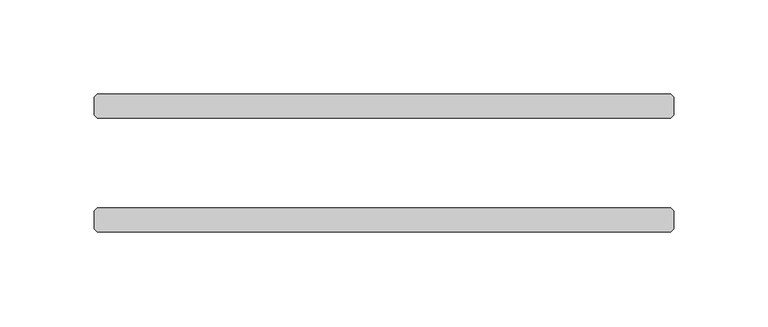
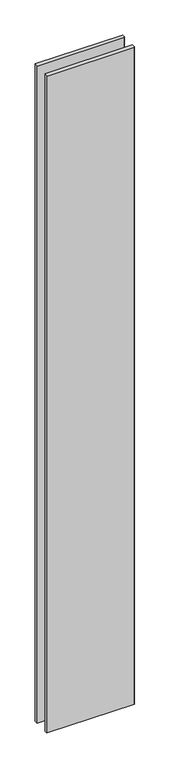
"""IFC4 building model written with IfcOpenShell, lengths in millimetres: plate geometry."""

from ifc_helpers import new_model, si_unit, origin, origin_with_axes, place, context, project, spatial, polyline, outline, extrude, source, transform, mapped, element, save


def plate_30c52bd8(model_context):
    return source(origin(), model_context, "Body", "SweptSolid", [
        extrude(outline(polyline([(152.003125, -23.8125), (153.590625, -25.4), (153.590625, -34.925), (152.003125, -36.5125), (-152.003125, -36.5125), (-153.590625, -34.925), (-153.590625, -25.4), (-152.003125, -23.8125), (152.003125, -23.8125)])), origin_with_axes(), (0.0, 0.0, 1.0), 2417.7625023),
        extrude(outline(polyline([(152.003125, 36.5125), (153.590625, 34.925), (153.590625, 25.4), (152.003125, 23.8125), (-152.003125, 23.8125), (-153.590625, 25.4), (-153.590625, 34.925), (-152.003125, 36.5125), (152.003125, 36.5125)])), origin_with_axes(), (0.0, 0.0, 1.0), 2417.7625023),
    ])


if __name__ == "__main__":
    model = new_model("IFC4")
    model_context = context("Model", 3, world=origin())
    ifc_project = project(units=[si_unit("LENGTHUNIT", "METRE", prefix="MILLI")], contexts=[model_context])
    site = spatial("IfcSite", under=ifc_project)
    building = spatial("IfcBuilding", under=site)
    placement = place(None, origin())
    plate_shape = plate_30c52bd8(model_context)
    element("IfcPlate", 1, at=placement, inside=building, context=model_context, shape_type="MappedRepresentation", body=[
        mapped(plate_shape, transform((0.0, 0.0, 0.0), x_axis=(1.0, 0.0, 0.0), y_axis=(0.0, 1.0, 0.0), z_axis=(0.0, 0.0, 1.0))),
    ])
    save(model, "model.ifc")
